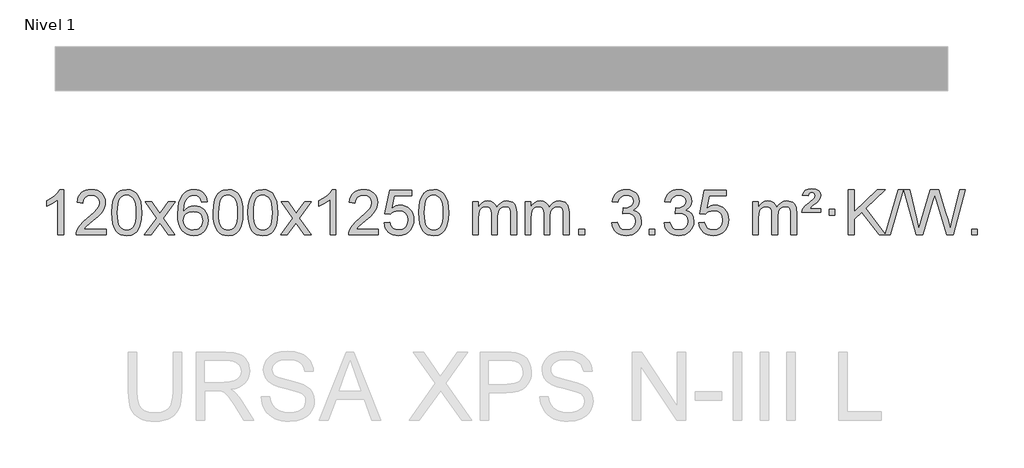
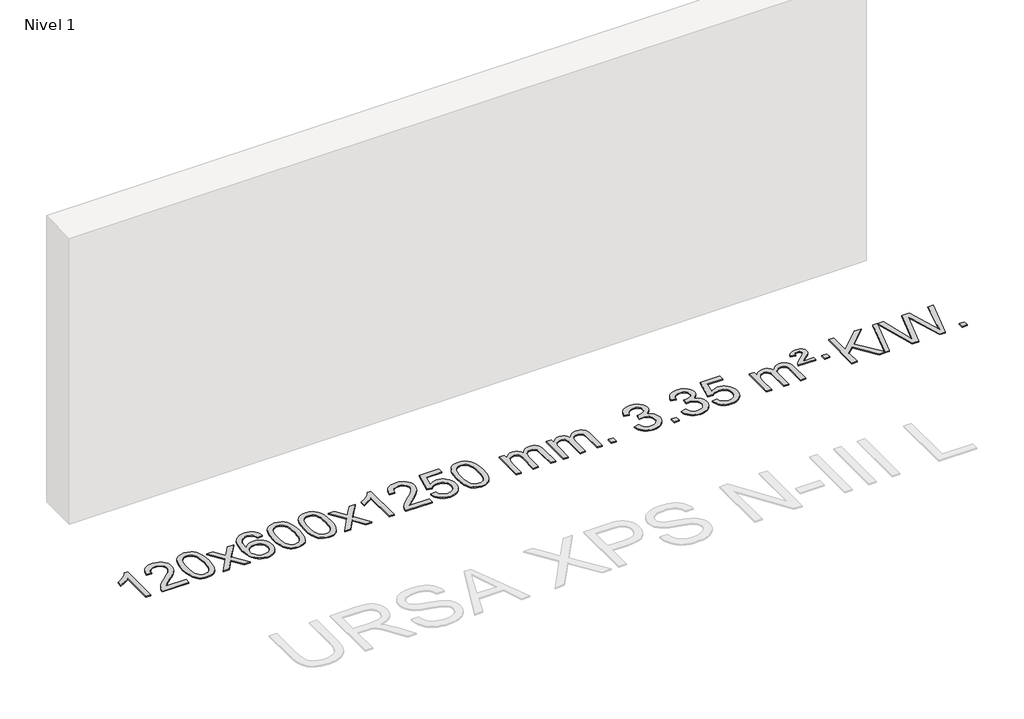
# One storey, part 2 of 6: 1 proxy.
"""IFC4 building model written with IfcOpenShell, lengths in millimetres."""

import ifcopenshell
import ifcopenshell.guid

model = None  # the IFC model being written
_history = None  # IfcOwnerHistory: only IFC2X3 demands one
_inside = {}  # id of a spatial element -> (the spatial element, [elements in it])
_under = {}  # id of a project, library or spatial element -> (it, [spatial elements below it])
_declared = {}  # id of a project -> (the project, [libraries it declares])
_typed = {}  # id of a type object -> (the type object, [elements of that type])
_made_of = {}  # id of a material, layer set ... -> (it, [elements and type objects made of it])


def new_model(schema):
    """Start an empty IFC model of exactly this schema.

    Asked for "IFC4X3", IfcOpenShell would pick the latest addendum, in which some entities
    have other attributes; the version numbers below select the first issue.
    IFC2X3 requires an IfcOwnerHistory on every rooted entity: one is made here for all.
    """
    global model, _history
    if schema == "IFC4X3":
        model = ifcopenshell.file(schema_version=(4, 3, 0, 0))
    else:
        model = ifcopenshell.file(schema=schema)
    _inside.clear()
    _under.clear()
    _declared.clear()
    _typed.clear()
    _made_of.clear()
    _history = None
    if model.schema == "IFC2X3":
        org = make("IfcOrganization", Name="unknown")
        user = make(
            "IfcPersonAndOrganization",
            ThePerson=make("IfcPerson", FamilyName="unknown"),
            TheOrganization=org,
        )
        app = make(
            "IfcApplication",
            ApplicationDeveloper=org,
            Version="unknown",
            ApplicationFullName="unknown",
            ApplicationIdentifier="unknown",
        )
        _history = make(
            "IfcOwnerHistory",
            OwningUser=user,
            OwningApplication=app,
            ChangeAction="ADDED",
            CreationDate=0,
        )
    return model


def make(cls, **values):
    """One entity of the class cls with the attributes given. An attribute that is None is left unset."""
    return model.create_entity(
        cls, **{name: value for name, value in values.items() if value is not None}
    )


def rooted(cls, **values):
    """An entity with a GlobalId (a new one), such as an element, a storey or a relation."""
    return make(cls, GlobalId=ifcopenshell.guid.new(), OwnerHistory=_history, **values)


def si_unit(unit_type, name, prefix=None):
    """IfcSIUnit, for example si_unit("LENGTHUNIT", "METRE", prefix="MILLI")."""
    return make("IfcSIUnit", UnitType=unit_type, Prefix=prefix, Name=name)


def assignment(units):
    """IfcUnitAssignment: the units of a project."""
    return None if units is None else make("IfcUnitAssignment", Units=units)


def point(xyz):
    """IfcCartesianPoint."""
    return None if xyz is None else make("IfcCartesianPoint", Coordinates=xyz)


def direction(xyz):
    """IfcDirection."""
    return None if xyz is None else make("IfcDirection", DirectionRatios=xyz)


def frame(location, z_axis=None, x_axis=None):
    """IfcAxis2Placement3D, a coordinate frame: its origin and axes. An axis left out is left unset."""
    return make(
        "IfcAxis2Placement3D",
        Location=point(location),
        Axis=direction(z_axis),
        RefDirection=direction(x_axis),
    )


def origin():
    """The frame at (0, 0, 0) with its axes left unset."""
    return frame((0.0, 0.0, 0.0))


def origin_with_axes():
    """The frame at (0, 0, 0) with the z axis (0, 0, 1) and the x axis (1, 0, 0) written out."""
    return frame((0.0, 0.0, 0.0), z_axis=(0.0, 0.0, 1.0), x_axis=(1.0, 0.0, 0.0))


def place(relative_to, where):
    """IfcLocalPlacement: puts the frame where relative to a parent placement (None: the world)."""
    return make(
        "IfcLocalPlacement", PlacementRelTo=relative_to, RelativePlacement=where
    )


def context(
    kind, dimensions, precision=None, world=None, true_north=None, identifier=None
):
    """IfcGeometricRepresentationContext, for example the 3D "Model" context."""
    return make(
        "IfcGeometricRepresentationContext",
        ContextIdentifier=identifier,
        ContextType=kind,
        CoordinateSpaceDimension=dimensions,
        Precision=precision,
        WorldCoordinateSystem=world,
        TrueNorth=true_north,
    )


def project(units=None, contexts=None):
    """IfcProject with its units and contexts."""
    return rooted(
        "IfcProject",
        Name="project",
        RepresentationContexts=contexts,
        UnitsInContext=assignment(units),
    )


def spatial(cls, under=None, at=None, **own):
    """A site, building, storey or space (cls), placed at a placement, below another one or the project."""
    s = rooted(cls, ObjectPlacement=at, **own)
    if under is not None:
        _under.setdefault(under.id(), (under, []))[1].append(s)
    return s


def polyline(points):
    """IfcPolyline through the points."""
    return make("IfcPolyline", Points=[point(p) for p in points])


def outline(outer, holes=None, kind="AREA"):
    """IfcArbitraryClosedProfileDef: a profile drawn as a closed curve; with holes, ...WithVoids."""
    if holes is None:
        return make("IfcArbitraryClosedProfileDef", ProfileType=kind, OuterCurve=outer)
    return make(
        "IfcArbitraryProfileDefWithVoids",
        ProfileType=kind,
        OuterCurve=outer,
        InnerCurves=holes,
    )


def extrude(swept, where, along, depth):
    """IfcExtrudedAreaSolid: the profile swept, set in the frame where, extruded along a direction by depth."""
    return make(
        "IfcExtrudedAreaSolid",
        SweptArea=swept,
        Position=where,
        ExtrudedDirection=direction(along),
        Depth=depth,
    )


def shape(context_of_items, identifier, shape_type, items):
    """IfcShapeRepresentation: the items that make up one representation, for example the "Body"."""
    return make(
        "IfcShapeRepresentation",
        ContextOfItems=context_of_items,
        RepresentationIdentifier=identifier,
        RepresentationType=shape_type,
        Items=items,
    )


def made_of(thing, what):
    """Note that an element or type object is made of a material, layer set ...; save() writes the relation."""
    if what is not None:
        _made_of.setdefault(what.id(), (what, []))[1].append(thing)
    return thing


def element(
    cls,
    number,
    at=None,
    inside=None,
    cuts=None,
    type_object=None,
    material=None,
    context=None,
    identifier="Body",
    shape_type=None,
    held_by="IfcProductDefinitionShape",
    body=None,
    shapes=None,
    **own,
):
    """One element of the class cls, such as IfcWall. Its Tag is "e" and its number.

    at: its placement. inside: the storey or other place that contains it. cuts: it is an
    opening in that element (IfcRelVoidsElement). A single representation is given by context,
    identifier, shape_type and body (its items); several are given by shapes. held_by: the class
    of the entity that holds the representations. save() writes the other relations.
    """
    e = rooted(cls, Tag="e%d" % number, ObjectPlacement=at, **own)
    if body is not None:
        shapes = [shape(context, identifier, shape_type, body)]
    if shapes is not None:
        e.Representation = make(held_by, Representations=shapes)
    if inside is not None:
        _inside.setdefault(inside.id(), (inside, []))[1].append(e)
    if cuts is not None:
        rooted(
            "IfcRelVoidsElement", RelatingBuildingElement=cuts, RelatedOpeningElement=e
        )
    if type_object is not None:
        _typed.setdefault(type_object.id(), (type_object, []))[1].append(e)
    return made_of(e, material)


def aggregate(whole, parts):
    """IfcRelAggregates: a whole, such as a stair, and the parts it consists of."""
    return rooted("IfcRelAggregates", RelatingObject=whole, RelatedObjects=parts)


def save(model, path):
    """Write the relations noted so far, then the file.

    IfcRelAggregates (storeys below a building ...), IfcRelContainedInSpatialStructure (elements
    in a storey), IfcRelDefinesByType, IfcRelAssociatesMaterial and IfcRelDeclares: one each for
    every whole, place, type object, material and project.
    """
    for whole, parts in _under.values():
        aggregate(whole, parts)
    for where, things in _inside.values():
        rooted(
            "IfcRelContainedInSpatialStructure",
            RelatedElements=things,
            RelatingStructure=where,
        )
    for kind, things in _typed.values():
        rooted("IfcRelDefinesByType", RelatedObjects=things, RelatingType=kind)
    for what, things in _made_of.values():
        rooted("IfcRelAssociatesMaterial", RelatedObjects=things, RelatingMaterial=what)
    for by, libraries in _declared.values():
        rooted("IfcRelDeclares", RelatingContext=by, RelatedDefinitions=libraries)
    model.write(path)


model = new_model("IFC4")

# Units and contexts
model_context = context("Model", 3, world=origin())
ifc_project = project(units=[si_unit("LENGTHUNIT", "METRE", prefix="MILLI")], contexts=[model_context])

# Site, building, storey
site = spatial("IfcSite", under=ifc_project)
building = spatial("IfcBuilding", under=site)
storey = spatial("IfcBuildingStorey", under=building, Name="Nivel 1", Elevation=0.0)

# Proxy
placement = place(None, origin())
element("IfcBuildingElementProxy", 1, Name="Texto de modelo 1", ObjectType="Texto de modelo 1", at=placement, inside=storey, context=model_context, shape_type="SweptSolid", body=[
    extrude(outline(polyline([(-25945.4422492, -12784.6168569), (-25995.6704043, -12784.6168569), (-25995.6704043, -12471.4757026), (-26016.639678, -12488.4350626), (-26043.249809, -12505.3698971), (-26096.1267145, -12530.7292293), (-26096.1267145, -12483.2479264), (-26056.6775018, -12461.7881434), (-26022.5012645, -12436.2571329), (-25995.5600397, -12409.1074417), (-25977.8158648, -12382.7916163), (-25945.4422492, -12382.7916163), (-25945.4422492, -12784.6168569)])), origin_with_axes(), (0.0, 0.0, 1.0), 10.0),
    extrude(outline(polyline([(-25568.7310862, -12734.3887018), (-25568.7310862, -12784.6168569), (-25832.4289003, -12784.6168569), (-25831.3252543, -12766.9339956), (-25827.0332977, -12749.9868984), (-25814.6479372, -12722.9230463), (-25796.5236176, -12696.6685346), (-25770.3058941, -12669.1877495), (-25733.6403219, -12638.4450775), (-25679.4390413, -12590.301587), (-25646.9182729, -12554.7641863), (-25630.6578887, -12525.9222379), (-25625.2377606, -12497.8651044), (-25630.3513204, -12472.7142386), (-25645.6919996, -12451.8062786), (-25669.2732355, -12437.7163982), (-25699.1084653, -12433.0197713), (-25730.4397485, -12437.6060336), (-25754.7812739, -12451.3648202), (-25770.4898351, -12473.2170107), (-25775.9222259, -12502.0834846), (-25826.1503809, -12495.8049652), (-25821.8308332, -12469.8754159), (-25813.9734869, -12447.2200164), (-25802.5783421, -12427.8387666), (-25787.6453988, -12411.7316666), (-25769.5180135, -12399.0703946), (-25748.5395427, -12390.0266288), (-25724.7099864, -12384.6003694), (-25698.0293447, -12382.7916163), (-25671.1095797, -12384.8027045), (-25647.1512648, -12390.8359692), (-25626.1543999, -12400.8914104), (-25608.1189851, -12414.9690281), (-25593.6336316, -12432.02649), (-25583.2869504, -12451.0214636), (-25577.0789418, -12471.9539492), (-25575.0096056, -12494.8239465), (-25577.241423, -12518.8466408), (-25583.9368753, -12542.4524022), (-25595.8194638, -12566.4628337), (-25613.6126896, -12591.6995386), (-25641.9763914, -12621.829074), (-25685.5704078, -12660.5179972), (-25743.3524066, -12708.8331659), (-25766.0139375, -12734.3887018), (-25568.7310862, -12734.3887018)])), origin_with_axes(), (0.0, 0.0, 1.0), 10.0),
    extrude(outline(polyline([(-25518.5029311, -12586.9415981), (-25514.8118484, -12522.6235626), (-25503.7386004, -12471.3285498), (-25485.3935515, -12432.2717446), (-25473.5354886, -12417.0383643), (-25459.8870665, -12404.6683323), (-25444.4023002, -12395.097269), (-25427.0352044, -12388.2607953), (-25386.654024, -12382.7916163), (-25355.7028855, -12386.0289778), (-25327.9891085, -12395.7410625), (-25304.8125428, -12411.5477256), (-25287.4730381, -12433.0688223), (-25274.3764391, -12460.1204117), (-25263.9285904, -12492.5185527), (-25257.0859853, -12533.6600225), (-25254.805117, -12586.9415981), (-25258.4594114, -12650.8917516), (-25269.4222949, -12702.0641372), (-25287.6569791, -12741.1577305), (-25299.487451, -12756.437096), (-25313.1266759, -12768.8715075), (-25328.6298363, -12778.5069501), (-25346.0521145, -12785.3894091), (-25386.654024, -12790.8953763), (-25414.3187501, -12788.5041433), (-25438.8442164, -12781.3304444), (-25460.2304231, -12769.3742795), (-25478.47737, -12752.6356488), (-25495.988553, -12722.3773547), (-25508.4965408, -12684.6755815), (-25516.0013335, -12639.5303293), (-25518.5029311, -12586.9415981)]), holes=[polyline([(-25468.274776, -12586.8434963), (-25466.803248, -12630.5080234), (-25462.3886641, -12665.8522861), (-25455.0310242, -12692.8762843), (-25444.7303283, -12711.5800181), (-25432.2713914, -12724.3056694), (-25418.4390284, -12733.3954204), (-25403.2332393, -12738.849271), (-25386.654024, -12740.6672212), (-25370.0748088, -12738.8431396), (-25354.8690196, -12733.3708949), (-25341.0366566, -12724.2504871), (-25328.5777197, -12711.4819162), (-25318.2770239, -12692.7475256), (-25310.919384, -12665.7296588), (-25306.5048, -12630.4283156), (-25305.033272, -12586.8434963), (-25306.4557491, -12544.3347317), (-25310.7231802, -12509.6128027), (-25317.8355655, -12482.6777093), (-25327.7929048, -12463.5294515), (-25340.0433752, -12450.1814664), (-25354.0351538, -12440.6471914), (-25369.7682404, -12434.9266264), (-25387.2426352, -12433.0197713), (-25403.7360113, -12434.6997658), (-25418.6842831, -12439.7397491), (-25432.0874504, -12448.1397213), (-25443.9455134, -12459.8996825), (-25454.5895658, -12480.7463289), (-25462.1924604, -12508.8525133), (-25466.7541971, -12544.2182358), (-25468.274776, -12586.8434963)])]), origin_with_axes(), (0.0, 0.0, 1.0), 10.0),
    extrude(outline(polyline([(-25229.6910394, -12784.6168569), (-25122.3675987, -12636.2868364), (-25223.41252, -12489.5264458), (-25162.981771, -12489.5264458), (-25114.2251439, -12560.1597889), (-25091.4655111, -12593.5144231), (-25071.7470362, -12566.2421045), (-25016.2213804, -12489.5264458), (-24955.7906313, -12489.5264458), (-25061.9368496, -12636.2868364), (-24959.7147059, -12784.6168569), (-25020.145455, -12784.6168569), (-25081.6553246, -12695.4422612), (-25092.9370391, -12679.1573516), (-25169.2602903, -12784.6168569), (-25229.6910394, -12784.6168569)])), origin_with_axes(), (0.0, 0.0, 1.0), 10.0),
    extrude(outline(polyline([(-24670.9028142, -12489.5264458), (-24721.1309693, -12495.8049652), (-24729.2243732, -12470.9116168), (-24740.1627312, -12453.9154687), (-24762.9468894, -12438.2436957), (-24790.4889881, -12433.0197713), (-24813.8372321, -12436.0609292), (-24835.8120499, -12445.1844027), (-24854.6843963, -12464.4001055), (-24870.0986519, -12490.850821), (-24880.5097123, -12528.2644199), (-24884.3724733, -12580.3687731), (-24864.2248027, -12556.8611137), (-24840.0794811, -12540.2941611), (-24813.2854091, -12530.4717119), (-24785.1914874, -12527.1975621), (-24761.0584285, -12529.4355109), (-24738.7893051, -12536.1493573), (-24718.3841171, -12547.3391013), (-24699.8428645, -12563.004743), (-24684.4347403, -12582.2143145), (-24673.4289372, -12604.0358482), (-24666.8254554, -12628.469344), (-24664.6242948, -12655.514802), (-24668.7690986, -12691.4813984), (-24681.2035101, -12724.8237699), (-24700.8974596, -12753.1016326), (-24726.8208775, -12773.8747026), (-24757.7965415, -12786.6402078), (-24792.6472291, -12790.8953763), (-24822.5897579, -12788.0749476), (-24849.6321502, -12779.6136617), (-24873.7744061, -12765.5115186), (-24895.0165257, -12745.7685182), (-24912.3345706, -12719.5507947), (-24924.7046027, -12686.0244822), (-24932.1266219, -12645.1895807), (-24934.6006284, -12597.0460903), (-24931.8537761, -12543.0716702), (-24923.6132194, -12497.006713), (-24909.8789583, -12458.8512188), (-24890.6509927, -12428.6051874), (-24869.8104776, -12408.56175), (-24845.6467619, -12394.2450091), (-24818.1598455, -12385.6549645), (-24787.3497284, -12382.7916163), (-24764.2160823, -12384.5635812), (-24743.2774654, -12389.879476), (-24724.5338777, -12398.7393008), (-24707.9853193, -12411.1430554), (-24694.0793799, -12426.6738069), (-24683.2636492, -12444.9146225), (-24675.5381274, -12465.8655021), (-24670.9028142, -12489.5264458)]), holes=[polyline([(-24884.3724733, -12654.7299871), (-24881.4662055, -12676.9868478), (-24872.7474022, -12698.2381644), (-24859.2093448, -12716.5096368), (-24841.8453146, -12729.8269651), (-24820.8883036, -12737.9571571), (-24796.5713038, -12740.6672212), (-24763.425136, -12735.0508894), (-24749.5099995, -12728.0304746), (-24737.366828, -12718.201894), (-24727.5167876, -12705.9636863), (-24720.4810444, -12691.7143904), (-24714.8524499, -12657.1825337), (-24720.407468, -12624.036366), (-24727.3512407, -12610.4155351), (-24737.0725224, -12598.7628729), (-24749.2524821, -12589.4278673), (-24763.5722888, -12582.7600061), (-24798.6314429, -12577.4257172), (-24831.7285598, -12582.7600061), (-24859.4055485, -12598.7628729), (-24870.3285781, -12610.2622509), (-24878.1307421, -12623.4232293), (-24882.8120405, -12638.245808), (-24884.3724733, -12654.7299871)])]), origin_with_axes(), (0.0, 0.0, 1.0), 10.0),
    extrude(outline(polyline([(-24620.6746591, -12586.9415981), (-24616.9835765, -12522.6235626), (-24605.9103284, -12471.3285498), (-24587.5652796, -12432.2717446), (-24575.7072166, -12417.0383643), (-24562.0587946, -12404.6683323), (-24546.5740283, -12395.097269), (-24529.2069324, -12388.2607953), (-24488.8257521, -12382.7916163), (-24457.8746135, -12386.0289778), (-24430.1608366, -12395.7410625), (-24406.9842709, -12411.5477256), (-24389.6447662, -12433.0688223), (-24376.5481671, -12460.1204117), (-24366.1003185, -12492.5185527), (-24359.2577134, -12533.6600225), (-24356.976845, -12586.9415981), (-24360.6311395, -12650.8917516), (-24371.5940229, -12702.0641372), (-24389.8287072, -12741.1577305), (-24401.659179, -12756.437096), (-24415.298404, -12768.8715075), (-24430.8015644, -12778.5069501), (-24448.2238425, -12785.3894091), (-24488.8257521, -12790.8953763), (-24516.4904781, -12788.5041433), (-24541.0159444, -12781.3304444), (-24562.4021511, -12769.3742795), (-24580.6490981, -12752.6356488), (-24598.160281, -12722.3773547), (-24610.6682689, -12684.6755815), (-24618.1730616, -12639.5303293), (-24620.6746591, -12586.9415981)]), holes=[polyline([(-24570.4465041, -12586.8434963), (-24568.9749761, -12630.5080234), (-24564.5603921, -12665.8522861), (-24557.2027522, -12692.8762843), (-24546.9020564, -12711.5800181), (-24534.4431195, -12724.3056694), (-24520.6107564, -12733.3954204), (-24505.4049673, -12738.849271), (-24488.8257521, -12740.6672212), (-24472.2465368, -12738.8431396), (-24457.0407477, -12733.3708949), (-24443.2083847, -12724.2504871), (-24430.7494478, -12711.4819162), (-24420.4487519, -12692.7475256), (-24413.091112, -12665.7296588), (-24408.676528, -12630.4283156), (-24407.2050001, -12586.8434963), (-24408.6274771, -12544.3347317), (-24412.8949083, -12509.6128027), (-24420.0072935, -12482.6777093), (-24429.9646328, -12463.5294515), (-24442.2151033, -12450.1814664), (-24456.2068818, -12440.6471914), (-24471.9399685, -12434.9266264), (-24489.4143633, -12433.0197713), (-24505.9077394, -12434.6997658), (-24520.8560111, -12439.7397491), (-24534.2591785, -12448.1397213), (-24546.1172414, -12459.8996825), (-24556.7612938, -12480.7463289), (-24564.3641884, -12508.8525133), (-24568.9259251, -12544.2182358), (-24570.4465041, -12586.8434963)])]), origin_with_axes(), (0.0, 0.0, 1.0), 10.0),
    extrude(outline(polyline([(-24313.0272093, -12586.9415981), (-24309.3361266, -12522.6235626), (-24298.2628786, -12471.3285498), (-24279.9178297, -12432.2717446), (-24268.0597668, -12417.0383643), (-24254.4113447, -12404.6683323), (-24238.9265784, -12395.097269), (-24221.5594826, -12388.2607953), (-24181.1783022, -12382.7916163), (-24150.2271637, -12386.0289778), (-24122.5133867, -12395.7410625), (-24099.336821, -12411.5477256), (-24081.9973163, -12433.0688223), (-24068.9007173, -12460.1204117), (-24058.4528686, -12492.5185527), (-24051.6102635, -12533.6600225), (-24049.3293952, -12586.9415981), (-24052.9836896, -12650.8917516), (-24063.9465731, -12702.0641372), (-24082.1812573, -12741.1577305), (-24094.0117292, -12756.437096), (-24107.6509541, -12768.8715075), (-24123.1541145, -12778.5069501), (-24140.5763927, -12785.3894091), (-24181.1783022, -12790.8953763), (-24208.8430283, -12788.5041433), (-24233.3684946, -12781.3304444), (-24254.7547013, -12769.3742795), (-24273.0016482, -12752.6356488), (-24290.5128312, -12722.3773547), (-24303.020819, -12684.6755815), (-24310.5256117, -12639.5303293), (-24313.0272093, -12586.9415981)]), holes=[polyline([(-24262.7990542, -12586.8434963), (-24261.3275262, -12630.5080234), (-24256.9129423, -12665.8522861), (-24249.5553024, -12692.8762843), (-24239.2546065, -12711.5800181), (-24226.7956696, -12724.3056694), (-24212.9633066, -12733.3954204), (-24197.7575175, -12738.849271), (-24181.1783022, -12740.6672212), (-24164.599087, -12738.8431396), (-24149.3932978, -12733.3708949), (-24135.5609348, -12724.2504871), (-24123.1019979, -12711.4819162), (-24112.8013021, -12692.7475256), (-24105.4436622, -12665.7296588), (-24101.0290782, -12630.4283156), (-24099.5575502, -12586.8434963), (-24100.9800273, -12544.3347317), (-24105.2474584, -12509.6128027), (-24112.3598437, -12482.6777093), (-24122.317183, -12463.5294515), (-24134.5676534, -12450.1814664), (-24148.559432, -12440.6471914), (-24164.2925187, -12434.9266264), (-24181.7669134, -12433.0197713), (-24198.2602895, -12434.6997658), (-24213.2085613, -12439.7397491), (-24226.6117286, -12448.1397213), (-24238.4697916, -12459.8996825), (-24249.113844, -12480.7463289), (-24256.7167386, -12508.8525133), (-24261.2784753, -12544.2182358), (-24262.7990542, -12586.8434963)])]), origin_with_axes(), (0.0, 0.0, 1.0), 10.0),
    extrude(outline(polyline([(-24024.2153176, -12784.6168569), (-23916.8918769, -12636.2868364), (-24017.9367982, -12489.5264458), (-23957.5060492, -12489.5264458), (-23908.7494221, -12560.1597889), (-23885.9897893, -12593.5144231), (-23866.2713144, -12566.2421045), (-23810.7456586, -12489.5264458), (-23750.3149095, -12489.5264458), (-23856.4611278, -12636.2868364), (-23754.2389841, -12784.6168569), (-23814.6697332, -12784.6168569), (-23876.1796028, -12695.4422612), (-23887.4613173, -12679.1573516), (-23963.7845685, -12784.6168569), (-24024.2153176, -12784.6168569)])), origin_with_axes(), (0.0, 0.0, 1.0), 10.0),
    extrude(outline(polyline([(-23534.4908056, -12784.6168569), (-23584.7189607, -12784.6168569), (-23584.7189607, -12471.4757026), (-23605.6882344, -12488.4350626), (-23632.2983654, -12505.3698971), (-23685.1752709, -12530.7292293), (-23685.1752709, -12483.2479264), (-23645.7260583, -12461.7881434), (-23611.5498209, -12436.2571329), (-23584.6085961, -12409.1074417), (-23566.8644212, -12382.7916163), (-23534.4908056, -12382.7916163), (-23534.4908056, -12784.6168569)])), origin_with_axes(), (0.0, 0.0, 1.0), 10.0),
    extrude(outline(polyline([(-23157.7796426, -12734.3887018), (-23157.7796426, -12784.6168569), (-23421.4774567, -12784.6168569), (-23420.3738107, -12766.9339956), (-23416.0818541, -12749.9868984), (-23403.6964936, -12722.9230463), (-23385.572174, -12696.6685346), (-23359.3544505, -12669.1877495), (-23322.6888783, -12638.4450775), (-23268.4875977, -12590.301587), (-23235.9668293, -12554.7641863), (-23219.7064451, -12525.9222379), (-23214.286317, -12497.8651044), (-23219.3998768, -12472.7142386), (-23234.740556, -12451.8062786), (-23258.3217919, -12437.7163982), (-23288.1570217, -12433.0197713), (-23319.4883049, -12437.6060336), (-23343.8298303, -12451.3648202), (-23359.5383915, -12473.2170107), (-23364.9707823, -12502.0834846), (-23415.1989373, -12495.8049652), (-23410.8793896, -12469.8754159), (-23403.0220433, -12447.2200164), (-23391.6268985, -12427.8387666), (-23376.6939552, -12411.7316666), (-23358.5665699, -12399.0703946), (-23337.5880991, -12390.0266288), (-23313.7585429, -12384.6003694), (-23287.0779012, -12382.7916163), (-23260.1581362, -12384.8027045), (-23236.1998212, -12390.8359692), (-23215.2029563, -12400.8914104), (-23197.1675415, -12414.9690281), (-23182.682188, -12432.02649), (-23172.3355069, -12451.0214636), (-23166.1274982, -12471.9539492), (-23164.058162, -12494.8239465), (-23166.2899794, -12518.8466408), (-23172.9854317, -12542.4524022), (-23184.8680202, -12566.4628337), (-23202.661246, -12591.6995386), (-23231.0249478, -12621.829074), (-23274.6189643, -12660.5179972), (-23332.400963, -12708.8331659), (-23355.0624939, -12734.3887018), (-23157.7796426, -12734.3887018)])), origin_with_axes(), (0.0, 0.0, 1.0), 10.0),
    extrude(outline(polyline([(-23107.5514875, -12677.8820273), (-23057.3233324, -12671.603508), (-23048.1017571, -12701.7575688), (-23032.0130512, -12723.3522419), (-23009.1307911, -12736.3384764), (-22979.5285532, -12740.6672212), (-22960.3986894, -12739.1619707), (-22943.5251686, -12734.6462192), (-22928.9079907, -12727.1199667), (-22916.5471556, -12716.5832132), (-22906.718575, -12703.5571249), (-22899.6981602, -12688.5628679), (-22894.0818284, -12652.6698479), (-22899.342541, -12618.8737553), (-22905.9184316, -12604.9555532), (-22915.1246786, -12593.0239138), (-22926.9919386, -12583.4528505), (-22941.5508686, -12576.6163768), (-22978.7437383, -12571.1471978), (-23003.1097891, -12573.3299643), (-23022.8405268, -12579.8782638), (-23038.5981389, -12589.9091796), (-23051.044813, -12602.5397947), (-23101.2729681, -12596.2612753), (-23057.3233324, -12389.0701357), (-22862.6892315, -12389.0701357), (-22862.6892315, -12439.2982907), (-23016.7091602, -12439.2982907), (-23038.1934687, -12549.9571949), (-23020.4676879, -12537.2530033), (-23002.3127114, -12528.1785808), (-22983.7285393, -12522.7339272), (-22964.7151715, -12520.9190427), (-22940.2540845, -12523.1692543), (-22917.7856917, -12529.9198889), (-22897.3099929, -12541.1709466), (-22878.8269884, -12556.9224273), (-22863.5261631, -12576.2117066), (-22852.5970021, -12598.0761598), (-22846.0395056, -12622.5157871), (-22843.8536734, -12649.5305882), (-22845.821842, -12675.552108), (-22851.7263481, -12699.7587433), (-22861.5671914, -12722.1504941), (-22875.3443722, -12742.7273604), (-22896.215544, -12763.8008673), (-22920.5693321, -12778.8533723), (-22948.4057364, -12787.8848753), (-22979.7247569, -12790.8953763), (-23005.6451092, -12788.9609301), (-23029.0577325, -12783.1575916), (-23049.9626268, -12773.4853608), (-23068.3597923, -12759.9442377), (-23083.666749, -12743.2086726), (-23095.3010171, -12723.9531159), (-23103.2625966, -12702.1775674), (-23107.5514875, -12677.8820273)])), origin_with_axes(), (0.0, 0.0, 1.0), 10.0),
    extrude(outline(polyline([(-22799.9040377, -12586.9415981), (-22796.212955, -12522.6235626), (-22785.1397069, -12471.3285498), (-22766.7946581, -12432.2717446), (-22754.9365951, -12417.0383643), (-22741.2881731, -12404.6683323), (-22725.8034068, -12395.097269), (-22708.4363109, -12388.2607953), (-22668.0551306, -12382.7916163), (-22637.1039921, -12386.0289778), (-22609.3902151, -12395.7410625), (-22586.2136494, -12411.5477256), (-22568.8741447, -12433.0688223), (-22555.7775457, -12460.1204117), (-22545.329697, -12492.5185527), (-22538.4870919, -12533.6600225), (-22536.2062235, -12586.9415981), (-22539.860518, -12650.8917516), (-22550.8234015, -12702.0641372), (-22569.0580857, -12741.1577305), (-22580.8885575, -12756.437096), (-22594.5277825, -12768.8715075), (-22610.0309429, -12778.5069501), (-22627.4532211, -12785.3894091), (-22668.0551306, -12790.8953763), (-22695.7198566, -12788.5041433), (-22720.245323, -12781.3304444), (-22741.6315296, -12769.3742795), (-22759.8784766, -12752.6356488), (-22777.3896596, -12722.3773547), (-22789.8976474, -12684.6755815), (-22797.4024401, -12639.5303293), (-22799.9040377, -12586.9415981)]), holes=[polyline([(-22749.6758826, -12586.8434963), (-22748.2043546, -12630.5080234), (-22743.7897707, -12665.8522861), (-22736.4321308, -12692.8762843), (-22726.1314349, -12711.5800181), (-22713.672498, -12724.3056694), (-22699.840135, -12733.3954204), (-22684.6343459, -12738.849271), (-22668.0551306, -12740.6672212), (-22651.4759154, -12738.8431396), (-22636.2701262, -12733.3708949), (-22622.4377632, -12724.2504871), (-22609.9788263, -12711.4819162), (-22599.6781304, -12692.7475256), (-22592.3204905, -12665.7296588), (-22587.9059066, -12630.4283156), (-22586.4343786, -12586.8434963), (-22587.8568557, -12544.3347317), (-22592.1242868, -12509.6128027), (-22599.236672, -12482.6777093), (-22609.1940114, -12463.5294515), (-22621.4444818, -12450.1814664), (-22635.4362604, -12440.6471914), (-22651.169347, -12434.9266264), (-22668.6437418, -12433.0197713), (-22685.1371179, -12434.6997658), (-22700.0853897, -12439.7397491), (-22713.488557, -12448.1397213), (-22725.34662, -12459.8996825), (-22735.9906724, -12480.7463289), (-22743.5935669, -12508.8525133), (-22748.1553037, -12544.2182358), (-22749.6758826, -12586.8434963)])]), origin_with_axes(), (0.0, 0.0, 1.0), 10.0),
    extrude(outline(polyline([(-22322.7365645, -12784.6168569), (-22322.7365645, -12489.5264458), (-22272.5084094, -12489.5264458), (-22272.5084094, -12538.0868692), (-22257.4007221, -12515.7809575), (-22237.9765528, -12498.3065628), (-22214.8980889, -12487.0125855), (-22188.8275182, -12483.2479264), (-22160.8930121, -12487.0861619), (-22138.5012613, -12498.6008684), (-22121.7748932, -12517.0317563), (-22110.8365352, -12541.6185363), (-22092.5282746, -12516.0813945), (-22071.64484, -12497.8405789), (-22048.1862315, -12486.8960895), (-22022.1524489, -12483.2479264), (-22002.0446322, -12484.7654397), (-21984.3954935, -12489.3179793), (-21969.2050328, -12496.9055455), (-21956.4732501, -12507.5281381), (-21946.4086118, -12521.3083845), (-21939.2195845, -12538.368912), (-21934.9061681, -12558.7097207), (-21933.4683626, -12582.3308105), (-21933.4683626, -12784.6168569), (-21983.6965177, -12784.6168569), (-21983.6965177, -12603.9132208), (-21984.8614774, -12578.860457), (-21988.3563563, -12561.9746734), (-21994.9046558, -12550.410916), (-22005.2298772, -12541.3242307), (-22018.5104172, -12535.4381188), (-22033.9246728, -12533.4760815), (-22061.1356777, -12538.5038021), (-22083.318962, -12553.5869639), (-22091.924335, -12565.1568526), (-22098.07103, -12579.7556365), (-22102.988386, -12618.0398895), (-22102.988386, -12784.6168569), (-22153.2165411, -12784.6168569), (-22153.2165411, -12598.3214145), (-22156.1228088, -12569.9209245), (-22164.8416121, -12549.6628893), (-22180.1822913, -12537.5227834), (-22202.9541868, -12533.4760815), (-22222.3047798, -12536.1738828), (-22240.1347938, -12544.2672867), (-22254.8500736, -12557.5600894), (-22264.8564639, -12575.8560873), (-22270.595423, -12601.239945), (-22272.5084094, -12635.7963271), (-22272.5084094, -12784.6168569), (-22322.7365645, -12784.6168569)])), origin_with_axes(), (0.0, 0.0, 1.0), 10.0),
    extrude(outline(polyline([(-21858.12613, -12784.6168569), (-21858.12613, -12489.5264458), (-21807.8979749, -12489.5264458), (-21807.8979749, -12538.0868692), (-21792.7902877, -12515.7809575), (-21773.3661183, -12498.3065628), (-21750.2876545, -12487.0125855), (-21724.2170838, -12483.2479264), (-21696.2825776, -12487.0861619), (-21673.8908268, -12498.6008684), (-21657.1644588, -12517.0317563), (-21646.2261008, -12541.6185363), (-21627.9178402, -12516.0813945), (-21607.0344056, -12497.8405789), (-21583.575797, -12486.8960895), (-21557.5420145, -12483.2479264), (-21537.4341978, -12484.7654397), (-21519.7850591, -12489.3179793), (-21504.5945983, -12496.9055455), (-21491.8628156, -12507.5281381), (-21481.7981774, -12521.3083845), (-21474.6091501, -12538.368912), (-21470.2957337, -12558.7097207), (-21468.8579282, -12582.3308105), (-21468.8579282, -12784.6168569), (-21519.0860833, -12784.6168569), (-21519.0860833, -12603.9132208), (-21520.2510429, -12578.860457), (-21523.7459219, -12561.9746734), (-21530.2942214, -12550.410916), (-21540.6194427, -12541.3242307), (-21553.8999827, -12535.4381188), (-21569.3142383, -12533.4760815), (-21596.5252433, -12538.5038021), (-21618.7085276, -12553.5869639), (-21627.3139006, -12565.1568526), (-21633.4605956, -12579.7556365), (-21638.3779516, -12618.0398895), (-21638.3779516, -12784.6168569), (-21688.6061066, -12784.6168569), (-21688.6061066, -12598.3214145), (-21691.5123744, -12569.9209245), (-21700.2311777, -12549.6628893), (-21715.5718569, -12537.5227834), (-21738.3437524, -12533.4760815), (-21757.6943453, -12536.1738828), (-21775.5243594, -12544.2672867), (-21790.2396392, -12557.5600894), (-21800.2460294, -12575.8560873), (-21805.9849886, -12601.239945), (-21807.8979749, -12635.7963271), (-21807.8979749, -12784.6168569), (-21858.12613, -12784.6168569)])), origin_with_axes(), (0.0, 0.0, 1.0), 10.0),
    extrude(outline(polyline([(-21380.9586568, -12784.6168569), (-21380.9586568, -12734.3887018), (-21330.7305017, -12734.3887018), (-21330.7305017, -12784.6168569), (-21380.9586568, -12784.6168569)])), origin_with_axes(), (0.0, 0.0, 1.0), 10.0),
    extrude(outline(polyline([(-21092.1467651, -12677.8820273), (-21041.9186101, -12671.603508), (-21030.6736837, -12703.1677831), (-21014.2048331, -12724.4804134), (-20991.7027177, -12736.6205192), (-20962.3579972, -12740.6672212), (-20927.9242425, -12735.0999403), (-20913.6504211, -12728.1408392), (-20901.338637, -12718.3980977), (-20884.3424888, -12693.4802239), (-20878.6771061, -12663.2648494), (-20884.2934379, -12634.5823165), (-20901.1424332, -12611.3199117), (-20926.6489182, -12595.9056561), (-20958.2377189, -12590.7675709), (-20993.4562886, -12596.2612753), (-20987.8644822, -12546.0331203), (-20979.8201293, -12546.6217315), (-20949.7273821, -12543.0164879), (-20922.8229455, -12532.2007572), (-20911.7496974, -12524.0215142), (-20903.8402345, -12513.9047594), (-20899.0945568, -12501.8504926), (-20897.5126642, -12487.8587141), (-20902.0989264, -12466.1659391), (-20915.857713, -12448.568917), (-20936.8515122, -12436.9070578), (-20963.1428122, -12433.0197713), (-20989.483163, -12436.943846), (-21011.0165225, -12448.7160698), (-21026.7373464, -12468.3364429), (-21035.6400907, -12495.8049652), (-21085.8682457, -12489.5264458), (-21079.9146888, -12465.5466711), (-21071.0793895, -12444.4241132), (-21059.362348, -12426.1587721), (-21044.7635642, -12410.7506479), (-21027.7428905, -12398.5185716), (-21008.7601796, -12389.7813742), (-20987.8154313, -12384.5390557), (-20964.9086457, -12382.7916163), (-20933.3321078, -12386.2374443), (-20904.3307439, -12396.5749284), (-20879.8788539, -12412.8843635), (-20861.950738, -12434.2460447), (-20850.9510664, -12458.8573501), (-20847.2845091, -12484.9156581), (-20850.7671254, -12509.1958698), (-20861.214974, -12531.2197386), (-20878.4809023, -12549.9817203), (-20902.4177575, -12564.476271), (-20870.9761096, -12577.1804625), (-20847.6769166, -12598.8119238), (-20833.2559424, -12628.1934325), (-20828.448951, -12664.1477662), (-20830.8524467, -12689.6297257), (-20838.0629338, -12713.100597), (-20850.0804123, -12734.5603801), (-20866.9048822, -12754.0090749), (-20887.4020407, -12770.1468317), (-20910.437585, -12781.6738009), (-20936.011515, -12788.5899824), (-20964.1238308, -12790.8953763), (-20989.5322139, -12788.9272076), (-21012.6842542, -12783.0227016), (-21033.5799515, -12773.1818582), (-21052.2193059, -12759.4046775), (-21067.8481593, -12742.5004998), (-21079.7123537, -12723.2786655), (-21087.811889, -12701.7391747), (-21092.1467651, -12677.8820273)])), origin_with_axes(), (0.0, 0.0, 1.0), 10.0),
    extrude(outline(polyline([(-20759.3852378, -12784.6168569), (-20759.3852378, -12734.3887018), (-20709.1570827, -12734.3887018), (-20709.1570827, -12784.6168569), (-20759.3852378, -12784.6168569)])), origin_with_axes(), (0.0, 0.0, 1.0), 10.0),
    extrude(outline(polyline([(-20627.5363307, -12677.8820273), (-20577.3081756, -12671.603508), (-20566.0632493, -12703.1677831), (-20549.5943986, -12724.4804134), (-20527.0922833, -12736.6205192), (-20497.7475628, -12740.6672212), (-20463.313808, -12735.0999403), (-20449.0399866, -12728.1408392), (-20436.7282025, -12718.3980977), (-20419.7320543, -12693.4802239), (-20414.0666716, -12663.2648494), (-20419.6830034, -12634.5823165), (-20436.5319988, -12611.3199117), (-20462.0384838, -12595.9056561), (-20493.6272844, -12590.7675709), (-20528.8458541, -12596.2612753), (-20523.2540478, -12546.0331203), (-20515.2096948, -12546.6217315), (-20485.1169476, -12543.0164879), (-20458.212511, -12532.2007572), (-20447.139263, -12524.0215142), (-20439.2298001, -12513.9047594), (-20434.4841224, -12501.8504926), (-20432.9022298, -12487.8587141), (-20437.488492, -12466.1659391), (-20451.2472786, -12448.568917), (-20472.2410778, -12436.9070578), (-20498.5323777, -12433.0197713), (-20524.8727286, -12436.943846), (-20546.406088, -12448.7160698), (-20562.1269119, -12468.3364429), (-20571.0296562, -12495.8049652), (-20621.2578113, -12489.5264458), (-20615.3042543, -12465.5466711), (-20606.4689551, -12444.4241132), (-20594.7519136, -12426.1587721), (-20580.1531297, -12410.7506479), (-20563.1324561, -12398.5185716), (-20544.1497451, -12389.7813742), (-20523.2049969, -12384.5390557), (-20500.2982113, -12382.7916163), (-20468.7216734, -12386.2374443), (-20439.7203094, -12396.5749284), (-20415.2684195, -12412.8843635), (-20397.3403036, -12434.2460447), (-20386.3406319, -12458.8573501), (-20382.6740747, -12484.9156581), (-20386.1566909, -12509.1958698), (-20396.6045396, -12531.2197386), (-20413.8704679, -12549.9817203), (-20437.807323, -12564.476271), (-20406.3656752, -12577.1804625), (-20383.0664822, -12598.8119238), (-20368.645508, -12628.1934325), (-20363.8385165, -12664.1477662), (-20366.2420122, -12689.6297257), (-20373.4524994, -12713.100597), (-20385.4699779, -12734.5603801), (-20402.2944478, -12754.0090749), (-20422.7916063, -12770.1468317), (-20445.8271505, -12781.6738009), (-20471.4010806, -12788.5899824), (-20499.5133964, -12790.8953763), (-20524.9217795, -12788.9272076), (-20548.0738197, -12783.0227016), (-20568.9695171, -12773.1818582), (-20587.6088715, -12759.4046775), (-20603.2377249, -12742.5004998), (-20615.1019193, -12723.2786655), (-20623.2014545, -12701.7391747), (-20627.5363307, -12677.8820273)])), origin_with_axes(), (0.0, 0.0, 1.0), 10.0),
    extrude(outline(polyline([(-20319.8888809, -12677.8820273), (-20269.6607258, -12671.603508), (-20260.4391504, -12701.7575688), (-20244.3504445, -12723.3522419), (-20221.4681844, -12736.3384764), (-20191.8659465, -12740.6672212), (-20172.7360828, -12739.1619707), (-20155.8625619, -12734.6462192), (-20141.245384, -12727.1199667), (-20128.884549, -12716.5832132), (-20119.0559683, -12703.5571249), (-20112.0355536, -12688.5628679), (-20106.4192218, -12652.6698479), (-20111.6799343, -12618.8737553), (-20118.255825, -12604.9555532), (-20127.4620719, -12593.0239138), (-20139.3293319, -12583.4528505), (-20153.8882619, -12576.6163768), (-20191.0811316, -12571.1471978), (-20215.4471824, -12573.3299643), (-20235.1779201, -12579.8782638), (-20250.9355322, -12589.9091796), (-20263.3822064, -12602.5397947), (-20313.6103615, -12596.2612753), (-20269.6607258, -12389.0701357), (-20075.0266249, -12389.0701357), (-20075.0266249, -12439.2982907), (-20229.0465535, -12439.2982907), (-20250.530862, -12549.9571949), (-20232.8050812, -12537.2530033), (-20214.6501048, -12528.1785808), (-20196.0659326, -12522.7339272), (-20177.0525649, -12520.9190427), (-20152.5914779, -12523.1692543), (-20130.123085, -12529.9198889), (-20109.6473863, -12541.1709466), (-20091.1643817, -12556.9224273), (-20075.8635564, -12576.2117066), (-20064.9343955, -12598.0761598), (-20058.3768989, -12622.5157871), (-20056.1910667, -12649.5305882), (-20058.1592354, -12675.552108), (-20064.0637414, -12699.7587433), (-20073.9045848, -12722.1504941), (-20087.6817655, -12742.7273604), (-20108.5529374, -12763.8008673), (-20132.9067254, -12778.8533723), (-20160.7431297, -12787.8848753), (-20192.0621503, -12790.8953763), (-20217.9825025, -12788.9609301), (-20241.3951258, -12783.1575916), (-20262.3000202, -12773.4853608), (-20280.6971856, -12759.9442377), (-20296.0041423, -12743.2086726), (-20307.6384104, -12723.9531159), (-20315.5999899, -12702.1775674), (-20319.8888809, -12677.8820273)])), origin_with_axes(), (0.0, 0.0, 1.0), 10.0),
    extrude(outline(polyline([(-19842.7214076, -12784.6168569), (-19842.7214076, -12489.5264458), (-19792.4932526, -12489.5264458), (-19792.4932526, -12538.0868692), (-19777.3855653, -12515.7809575), (-19757.961396, -12498.3065628), (-19734.8829321, -12487.0125855), (-19708.8123614, -12483.2479264), (-19680.8778552, -12487.0861619), (-19658.4861045, -12498.6008684), (-19641.7597364, -12517.0317563), (-19630.8213784, -12541.6185363), (-19612.5131178, -12516.0813945), (-19591.6296832, -12497.8405789), (-19568.1710746, -12486.8960895), (-19542.1372921, -12483.2479264), (-19522.0294754, -12484.7654397), (-19504.3803367, -12489.3179793), (-19489.189876, -12496.9055455), (-19476.4580932, -12507.5281381), (-19466.393455, -12521.3083845), (-19459.2044277, -12538.368912), (-19454.8910113, -12558.7097207), (-19453.4532058, -12582.3308105), (-19453.4532058, -12784.6168569), (-19503.6813609, -12784.6168569), (-19503.6813609, -12603.9132208), (-19504.8463205, -12578.860457), (-19508.3411995, -12561.9746734), (-19514.889499, -12550.410916), (-19525.2147203, -12541.3242307), (-19538.4952604, -12535.4381188), (-19553.909516, -12533.4760815), (-19581.1205209, -12538.5038021), (-19603.3038052, -12553.5869639), (-19611.9091782, -12565.1568526), (-19618.0558732, -12579.7556365), (-19622.9732292, -12618.0398895), (-19622.9732292, -12784.6168569), (-19673.2013843, -12784.6168569), (-19673.2013843, -12598.3214145), (-19676.107652, -12569.9209245), (-19684.8264553, -12549.6628893), (-19700.1671345, -12537.5227834), (-19722.93903, -12533.4760815), (-19742.289623, -12536.1738828), (-19760.119637, -12544.2672867), (-19774.8349168, -12557.5600894), (-19784.8413071, -12575.8560873), (-19790.5802662, -12601.239945), (-19792.4932526, -12635.7963271), (-19792.4932526, -12784.6168569), (-19842.7214076, -12784.6168569)])), origin_with_axes(), (0.0, 0.0, 1.0), 10.0),
    extrude(outline(polyline([(-19409.5035701, -12583.7042366), (-19405.6775974, -12567.8853108), (-19397.3389388, -12552.0173341), (-19375.8301048, -12526.878731), (-19343.8734222, -12499.1404286), (-19299.7275828, -12461.7636179), (-19292.5906721, -12450.2366487), (-19290.2117018, -12438.4153739), (-19292.1001627, -12426.324319), (-19297.7655455, -12416.538658), (-19307.1342736, -12410.0639348), (-19320.1327708, -12407.9056938), (-19332.5671822, -12409.5243746), (-19341.4208756, -12414.3804169), (-19347.8465477, -12423.8472469), (-19352.9968957, -12439.2982907), (-19403.2250507, -12433.0197713), (-19392.3847946, -12407.8075919), (-19375.7565284, -12390.247358), (-19351.9913515, -12379.9466622), (-19319.7403633, -12376.5130969), (-19283.9577079, -12380.645638), (-19259.2115124, -12393.0432612), (-19244.7905382, -12411.3760473), (-19239.9835467, -12433.3140769), (-19244.0792996, -12456.2208625), (-19256.3665583, -12477.8523238), (-19276.8943736, -12497.6689006), (-19313.3637421, -12525.7260341), (-19338.9683289, -12552.3116396), (-19239.9835467, -12552.3116396), (-19239.9835467, -12583.7042366), (-19409.5035701, -12583.7042366)])), origin_with_axes(), (0.0, 0.0, 1.0), 10.0),
    extrude(outline(polyline([(-19164.6413141, -12608.8183141), (-19164.6413141, -12558.590159), (-19114.4131591, -12558.590159), (-19114.4131591, -12608.8183141), (-19164.6413141, -12608.8183141)])), origin_with_axes(), (0.0, 0.0, 1.0), 10.0),
    extrude(outline(polyline([(-18723.7715311, -12784.6168569), (-18877.2028486, -12581.938403), (-18944.8931357, -12646.4894304), (-18944.8931357, -12784.6168569), (-18995.1212908, -12784.6168569), (-18995.1212908, -12382.7916163), (-18944.8931357, -12382.7916163), (-18944.8931357, -12579.4858564), (-18738.8792184, -12382.7916163), (-18668.6382828, -12382.7916163), (-18841.5918714, -12547.9951576), (-18666.9382616, -12778.5723371), (-18555.6249339, -12382.7916163), (-18510.301872, -12382.7916163), (-18623.315221, -12784.6168569), (-18662.3597634, -12784.6168569), (-18668.6382828, -12784.6168569), (-18723.7715311, -12784.6168569)])), origin_with_axes(), (0.0, 0.0, 1.0), 10.0),
    extrude(outline(polyline([(-18395.8169951, -12784.6168569), (-18505.3967788, -12382.7916163), (-18453.5989939, -12382.7916163), (-18390.0289851, -12646.8818379), (-18370.408612, -12728.404488), (-18349.4148128, -12656.299617), (-18269.7560981, -12382.7916163), (-18195.1005786, -12382.7916163), (-18137.220478, -12581.0554862), (-18112.4252315, -12654.6318852), (-18094.1537591, -12728.404488), (-18075.1219972, -12649.2362826), (-18010.9633773, -12382.7916163), (-17959.1655923, -12382.7916163), (-18068.8434778, -12784.6168569), (-18122.5051982, -12784.6168569), (-18218.84123, -12474.6149623), (-18232.2811856, -12431.3520396), (-18247.3888728, -12483.4441302), (-18335.1900423, -12784.6168569), (-18395.8169951, -12784.6168569)])), origin_with_axes(), (0.0, 0.0, 1.0), 10.0),
    extrude(outline(polyline([(-17902.6589179, -12784.6168569), (-17902.6589179, -12734.3887018), (-17852.4307628, -12734.3887018), (-17852.4307628, -12784.6168569), (-17902.6589179, -12784.6168569)])), origin_with_axes(), (0.0, 0.0, 1.0), 10.0),
])

save(model, "model.ifc")
